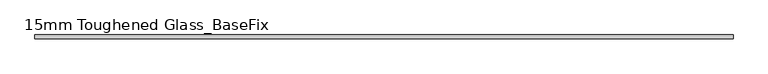
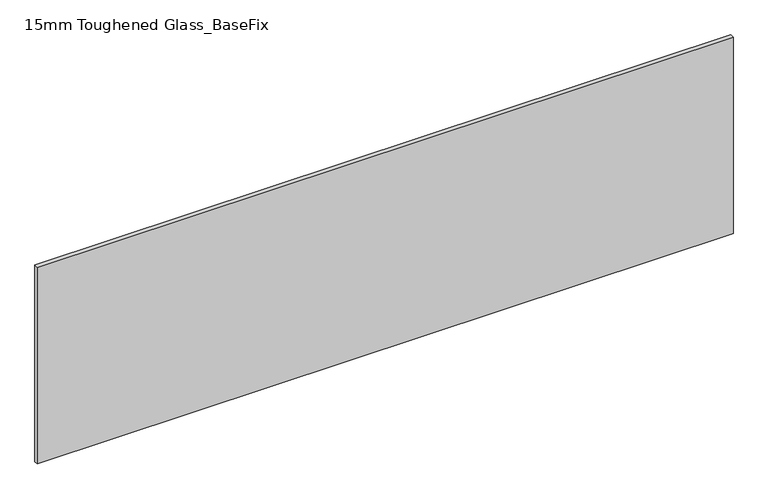
"""IFC4 building model written with IfcOpenShell, lengths in millimetres: plate geometry, 15mm Toughened Glass_BaseFix."""

from ifc_helpers import new_model, si_unit, origin, origin_with_axes, place, context, project, spatial, polyline, outline, extrude, source, transform, mapped, element, save


def plate_15mm_toughened_glass_basefix_e9b7d03e(model_context):
    return source(origin(), model_context, "Body", "SweptSolid", [
        extrude(outline(polyline([(1420.0, 7.5), (1420.0, -7.5), (-1420.0, -7.5), (-1420.0, 7.5), (1420.0, 7.5)])), origin_with_axes(), (0.0, 0.0, 1.0), 849.0),
    ])


if __name__ == "__main__":
    model = new_model("IFC4")
    model_context = context("Model", 3, world=origin())
    ifc_project = project(units=[si_unit("LENGTHUNIT", "METRE", prefix="MILLI")], contexts=[model_context])
    site = spatial("IfcSite", under=ifc_project)
    building = spatial("IfcBuilding", under=site)
    placement = place(None, origin())
    plate_15mm_toughened_glass_basefix_shape = plate_15mm_toughened_glass_basefix_e9b7d03e(model_context)
    element("IfcPlate", 1, ObjectType="15mm Toughened Glass_BaseFix", at=placement, inside=building, context=model_context, shape_type="MappedRepresentation", body=[
        mapped(plate_15mm_toughened_glass_basefix_shape, transform((0.0, 0.0, 0.0), x_axis=(1.0, 0.0, 0.0), y_axis=(0.0, 1.0, 0.0), z_axis=(0.0, 0.0, 1.0))),
    ])
    save(model, "model.ifc")
